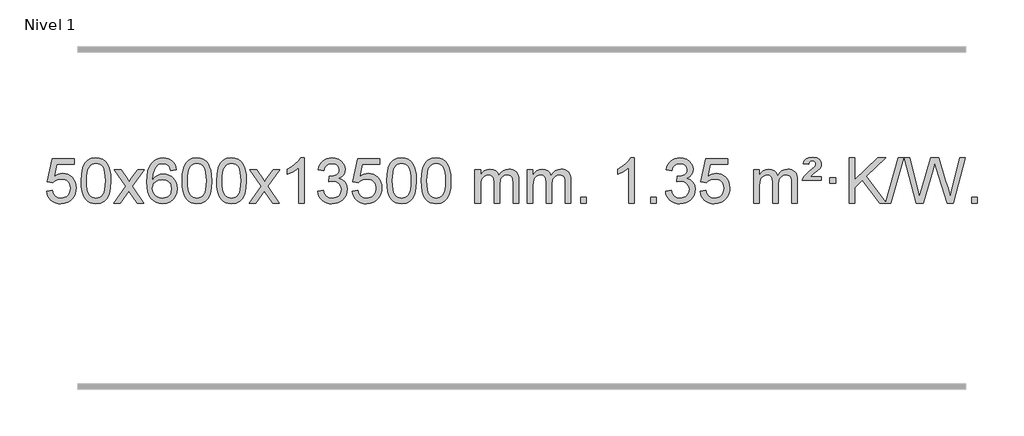
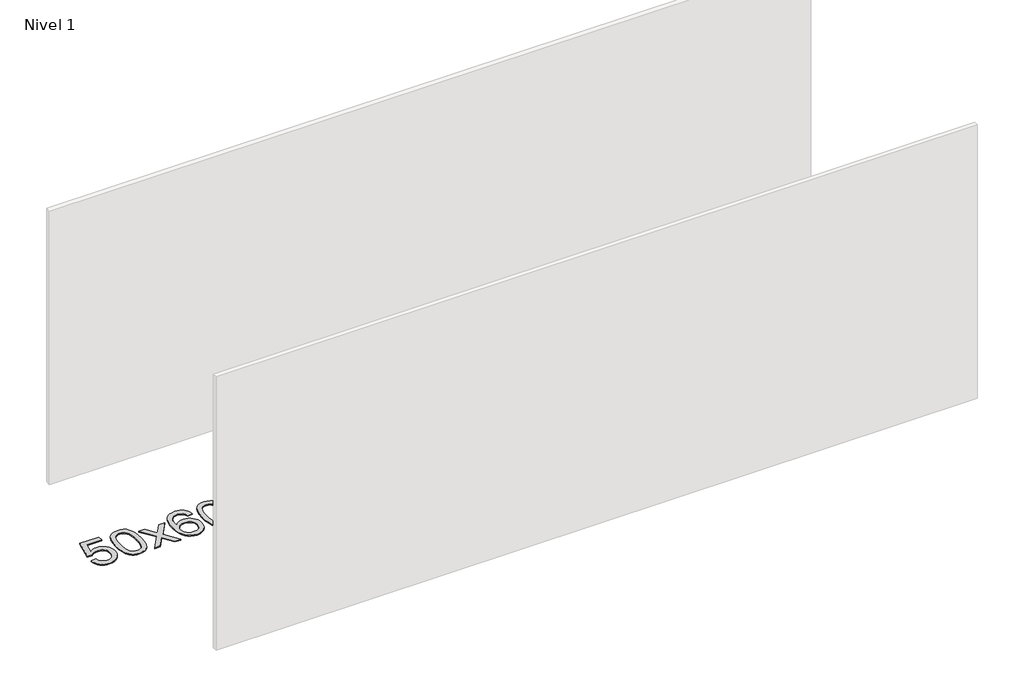
# One storey, part 21 of 21: 1 proxy.
"""IFC4 building model written with IfcOpenShell, lengths in millimetres."""

from ifc_helpers import new_model, si_unit, origin, origin_with_axes, place, context, project, spatial, polyline, outline, extrude, element, save

model = new_model("IFC4")

# Units and contexts
model_context = context("Model", 3, world=origin())
ifc_project = project(units=[si_unit("LENGTHUNIT", "METRE", prefix="MILLI")], contexts=[model_context])

# Site, building, storey
site = spatial("IfcSite", under=ifc_project)
building = spatial("IfcBuilding", under=site)
storey = spatial("IfcBuildingStorey", under=building, Name="Nivel 1", Elevation=0.0)

# Proxy
placement = place(None, origin())
element("IfcBuildingElementProxy", 1, Name="Texto de modelo 1", ObjectType="Texto de modelo 1", at=placement, inside=storey, context=model_context, shape_type="SweptSolid", body=[
    extrude(outline(polyline([(-509.9934354, 2715.1553765), (-459.7652803, 2721.4338959), (-450.543705, 2691.2798351), (-434.454999, 2669.6851619), (-411.5727389, 2656.6989275), (-381.9705011, 2652.3701827), (-362.8406373, 2653.8754332), (-345.9671165, 2658.3911847), (-331.3499385, 2665.9174372), (-318.9891035, 2676.4541906), (-309.1605228, 2689.480279), (-302.1401081, 2704.4745359), (-296.5237763, 2740.3675559), (-301.7844888, 2774.1636486), (-308.3603795, 2788.0818507), (-317.5666264, 2800.0134901), (-329.4338865, 2809.5845533), (-343.9928164, 2816.4210271), (-381.1856861, 2821.8902061), (-405.5517369, 2819.7074396), (-425.2824746, 2813.1591401), (-441.0400868, 2803.1282243), (-453.4867609, 2790.4976092), (-503.714916, 2796.7761285), (-459.7652803, 3003.9672682), (-265.1311794, 3003.9672682), (-265.1311794, 2953.7391131), (-419.151108, 2953.7391131), (-440.6354166, 2843.080209), (-422.9096358, 2855.7844006), (-404.7546593, 2864.8588231), (-386.1704872, 2870.3034766), (-367.1571194, 2872.1183612), (-342.6960324, 2869.8681496), (-320.2276395, 2863.117515), (-299.7519408, 2851.8664573), (-281.2689362, 2836.1149766), (-265.9681109, 2816.8256973), (-255.03895, 2794.961244), (-248.4814534, 2770.5216168), (-246.2956212, 2743.5068156), (-248.2637899, 2717.4852958), (-254.1682959, 2693.2786606), (-264.0091393, 2670.8869098), (-277.78632, 2650.3100435), (-298.6574919, 2629.2365366), (-323.01128, 2614.1840316), (-350.8476843, 2605.1525286), (-382.1667048, 2602.1420276), (-408.087057, 2604.0764738), (-431.4996803, 2609.8798123), (-452.4045747, 2619.552043), (-470.8017402, 2633.0931662), (-486.1086968, 2649.8287312), (-497.7429649, 2669.084288), (-505.7045445, 2690.8598364), (-509.9934354, 2715.1553765)])), origin_with_axes(), (0.0, 0.0, 1.0), 10.0),
    extrude(outline(polyline([(-202.3459855, 2806.0958057), (-198.6549029, 2870.4138412), (-187.5816548, 2921.7088541), (-169.236606, 2960.7656593), (-157.378543, 2975.9990395), (-143.730121, 2988.3690716), (-128.2453547, 2997.9401349), (-110.8782588, 3004.7766086), (-70.4970785, 3010.2457876), (-39.5459399, 3007.008426), (-11.832163, 2997.2963414), (11.3444027, 2981.4896783), (28.6839074, 2959.9685816), (41.7805065, 2932.9169922), (52.2283551, 2900.5188512), (59.0709602, 2859.3773814), (61.3518286, 2806.0958057), (57.6975341, 2742.1456523), (46.7346507, 2690.9732667), (28.4999664, 2651.8796734), (16.6694946, 2636.6003078), (3.0302696, 2624.1658964), (-12.4728908, 2614.5304538), (-29.8951689, 2607.6479948), (-70.4970785, 2602.1420276), (-98.1618045, 2604.5332606), (-122.6872709, 2611.7069595), (-144.0734775, 2623.6631243), (-162.3204245, 2640.4017551), (-179.8316074, 2670.6600492), (-192.3395953, 2708.3618224), (-199.844388, 2753.5070745), (-202.3459855, 2806.0958057)]), holes=[polyline([(-152.1178305, 2806.1939076), (-150.6463025, 2762.5293805), (-146.2317185, 2727.1851178), (-138.8740786, 2700.1611196), (-128.5733828, 2681.4573858), (-116.1144459, 2668.7317344), (-102.2820829, 2659.6419835), (-87.0762937, 2654.1881329), (-70.4970785, 2652.3701827), (-53.9178632, 2654.1942643), (-38.7120741, 2659.6665089), (-24.8797111, 2668.7869167), (-12.4207742, 2681.5554876), (-2.1200783, 2700.2898783), (5.2375616, 2727.3077451), (9.6521455, 2762.6090882), (11.1236735, 2806.1939076), (9.7011965, 2848.7026722), (5.4337653, 2883.4246011), (-1.6786199, 2910.3596945), (-11.6359592, 2929.5079524), (-23.8864297, 2942.8559375), (-37.8782082, 2952.3902125), (-53.6112949, 2958.1107775), (-71.0856897, 2960.0176325), (-87.5790658, 2958.3376381), (-102.5273375, 2953.2976548), (-115.9305049, 2944.8976825), (-127.7885679, 2933.1377214), (-138.4326203, 2912.291075), (-146.0355148, 2884.1848906), (-150.5972516, 2848.8191681), (-152.1178305, 2806.1939076)])]), origin_with_axes(), (0.0, 0.0, 1.0), 10.0),
    extrude(outline(polyline([(86.4659061, 2608.420547), (193.7893469, 2756.7505675), (92.7444255, 2903.5109581), (153.1751746, 2903.5109581), (201.9318017, 2832.877615), (224.6914345, 2799.5229808), (244.4099094, 2826.7952993), (299.9355652, 2903.5109581), (360.3663143, 2903.5109581), (254.2200959, 2756.7505675), (356.4422397, 2608.420547), (296.0114906, 2608.420547), (234.501621, 2697.5951426), (223.2199065, 2713.8800523), (146.8966552, 2608.420547), (86.4659061, 2608.420547)])), origin_with_axes(), (0.0, 0.0, 1.0), 10.0),
    extrude(outline(polyline([(645.2541313, 2903.5109581), (595.0259763, 2897.2324387), (586.9325724, 2922.125787), (575.9942144, 2939.1219352), (553.2100561, 2954.7937082), (525.6679574, 2960.0176325), (502.3197135, 2956.9764747), (480.3448956, 2947.8530012), (461.4725493, 2928.6372983), (446.0582937, 2902.1865829), (435.6472332, 2864.772984), (431.7844723, 2812.6686307), (451.9321429, 2836.1762902), (476.0774645, 2852.7432427), (502.8715365, 2862.565692), (530.9654582, 2865.8398418), (555.0985171, 2863.601893), (577.3676405, 2856.8880466), (597.7728285, 2845.6983025), (616.3140811, 2830.0326609), (631.7222053, 2810.8230894), (642.7280083, 2789.0015557), (649.3314901, 2764.5680599), (651.5326507, 2737.5226018), (647.3878469, 2701.5560055), (634.9534355, 2668.213634), (615.259486, 2639.9357713), (589.3360681, 2619.1627013), (558.3604041, 2606.397196), (523.5097164, 2602.1420276), (493.5671877, 2604.9624563), (466.5247954, 2613.4237421), (442.3825394, 2627.5258853), (421.1404199, 2647.2688857), (403.822375, 2673.4866092), (391.4523429, 2707.0129217), (384.0303236, 2747.8478232), (381.5563172, 2795.9913136), (384.3031694, 2849.9657337), (392.5437261, 2896.0306908), (406.2779873, 2934.1861851), (425.5059529, 2964.4322165), (446.3464679, 2984.4756538), (470.5101836, 2998.7923948), (497.9971, 3007.3824394), (528.8072171, 3010.2457876), (551.9408633, 3008.4738227), (572.8794802, 3003.1579278), (591.6230678, 2994.2981031), (608.1716262, 2981.8943485), (622.0775656, 2966.3635969), (632.8932963, 2948.1227814), (640.6188182, 2927.1719017), (645.2541313, 2903.5109581)]), holes=[polyline([(431.7844723, 2738.3074168), (434.69074, 2716.0505561), (443.4095433, 2694.7992395), (456.9476007, 2676.527767), (474.3116309, 2663.2104388), (495.2686419, 2655.0802467), (519.5856418, 2652.3701827), (552.7318096, 2657.9865145), (566.646946, 2665.0069292), (578.7901175, 2674.8355099), (588.640158, 2687.0737176), (595.6759011, 2701.3230135), (601.3044957, 2735.8548701), (595.7494775, 2769.0010379), (588.8057049, 2782.6218688), (579.0844231, 2794.274531), (566.9044634, 2803.6095366), (552.5846568, 2810.2773978), (517.5255026, 2815.6116867), (484.4283858, 2810.2773978), (456.751397, 2794.274531), (445.8283674, 2782.7751529), (438.0262035, 2769.6141746), (433.3449051, 2754.7915958), (431.7844723, 2738.3074168)])]), origin_with_axes(), (0.0, 0.0, 1.0), 10.0),
    extrude(outline(polyline([(695.4822864, 2806.0958057), (699.1733691, 2870.4138412), (710.2466172, 2921.7088541), (728.591666, 2960.7656593), (740.449729, 2975.9990395), (754.098151, 2988.3690716), (769.5829173, 2997.9401349), (786.9500131, 3004.7766086), (827.3311935, 3010.2457876), (858.282332, 3007.008426), (885.996109, 2997.2963414), (909.1726747, 2981.4896783), (926.5121794, 2959.9685816), (939.6087784, 2932.9169922), (950.0566271, 2900.5188512), (956.8992322, 2859.3773814), (959.1801006, 2806.0958057), (955.5258061, 2742.1456523), (944.5629226, 2690.9732667), (926.3282384, 2651.8796734), (914.4977666, 2636.6003078), (900.8585416, 2624.1658964), (885.3553812, 2614.5304538), (867.933103, 2607.6479948), (827.3311935, 2602.1420276), (799.6664674, 2604.5332606), (775.1410011, 2611.7069595), (753.7547945, 2623.6631243), (735.5078475, 2640.4017551), (717.9966645, 2670.6600492), (705.4886767, 2708.3618224), (697.983884, 2753.5070745), (695.4822864, 2806.0958057)]), holes=[polyline([(745.7104415, 2806.1939076), (747.1819695, 2762.5293805), (751.5965534, 2727.1851178), (758.9541933, 2700.1611196), (769.2548892, 2681.4573858), (781.7138261, 2668.7317344), (795.5461891, 2659.6419835), (810.7519782, 2654.1881329), (827.3311935, 2652.3701827), (843.9104087, 2654.1942643), (859.1161979, 2659.6665089), (872.9485609, 2668.7869167), (885.4074978, 2681.5554876), (895.7081937, 2700.2898783), (903.0658336, 2727.3077451), (907.4804175, 2762.6090882), (908.9519455, 2806.1939076), (907.5294684, 2848.7026722), (903.2620373, 2883.4246011), (896.1496521, 2910.3596945), (886.1923127, 2929.5079524), (873.9418423, 2942.8559375), (859.9500637, 2952.3902125), (844.2169771, 2958.1107775), (826.7425823, 2960.0176325), (810.2492062, 2958.3376381), (795.3009344, 2953.2976548), (781.8977671, 2944.8976825), (770.0397041, 2933.1377214), (759.3956517, 2912.291075), (751.7927571, 2884.1848906), (747.2310204, 2848.8191681), (745.7104415, 2806.1939076)])]), origin_with_axes(), (0.0, 0.0, 1.0), 10.0),
    extrude(outline(polyline([(1003.1297362, 2806.0958057), (1006.8208189, 2870.4138412), (1017.894067, 2921.7088541), (1036.2391158, 2960.7656593), (1048.0971788, 2975.9990395), (1061.7456008, 2988.3690716), (1077.2303671, 2997.9401349), (1094.597463, 3004.7766086), (1134.9786433, 3010.2457876), (1165.9297818, 3007.008426), (1193.6435588, 2997.2963414), (1216.8201245, 2981.4896783), (1234.1596292, 2959.9685816), (1247.2562282, 2932.9169922), (1257.7040769, 2900.5188512), (1264.546682, 2859.3773814), (1266.8275504, 2806.0958057), (1263.1732559, 2742.1456523), (1252.2103725, 2690.9732667), (1233.9756882, 2651.8796734), (1222.1452164, 2636.6003078), (1208.5059914, 2624.1658964), (1193.002831, 2614.5304538), (1175.5805529, 2607.6479948), (1134.9786433, 2602.1420276), (1107.3139173, 2604.5332606), (1082.7884509, 2611.7069595), (1061.4022443, 2623.6631243), (1043.1552973, 2640.4017551), (1025.6441144, 2670.6600492), (1013.1361265, 2708.3618224), (1005.6313338, 2753.5070745), (1003.1297362, 2806.0958057)]), holes=[polyline([(1053.3578913, 2806.1939076), (1054.8294193, 2762.5293805), (1059.2440032, 2727.1851178), (1066.6016432, 2700.1611196), (1076.902339, 2681.4573858), (1089.3612759, 2668.7317344), (1103.1936389, 2659.6419835), (1118.3994281, 2654.1881329), (1134.9786433, 2652.3701827), (1151.5578586, 2654.1942643), (1166.7636477, 2659.6665089), (1180.5960107, 2668.7869167), (1193.0549476, 2681.5554876), (1203.3556435, 2700.2898783), (1210.7132834, 2727.3077451), (1215.1278673, 2762.6090882), (1216.5993953, 2806.1939076), (1215.1769183, 2848.7026722), (1210.9094871, 2883.4246011), (1203.7971019, 2910.3596945), (1193.8397625, 2929.5079524), (1181.5892921, 2942.8559375), (1167.5975136, 2952.3902125), (1151.8644269, 2958.1107775), (1134.3900321, 2960.0176325), (1117.896656, 2958.3376381), (1102.9483843, 2953.2976548), (1089.5452169, 2944.8976825), (1077.6871539, 2933.1377214), (1067.0431015, 2912.291075), (1059.440207, 2884.1848906), (1054.8784702, 2848.8191681), (1053.3578913, 2806.1939076)])]), origin_with_axes(), (0.0, 0.0, 1.0), 10.0),
    extrude(outline(polyline([(1291.9416279, 2608.420547), (1399.2650687, 2756.7505675), (1298.2201473, 2903.5109581), (1358.6508964, 2903.5109581), (1407.4075235, 2832.877615), (1430.1671563, 2799.5229808), (1449.8856312, 2826.7952993), (1505.411287, 2903.5109581), (1565.8420361, 2903.5109581), (1459.6958177, 2756.7505675), (1561.9179615, 2608.420547), (1501.4872124, 2608.420547), (1439.9773428, 2697.5951426), (1428.6956283, 2713.8800523), (1352.372377, 2608.420547), (1291.9416279, 2608.420547)])), origin_with_axes(), (0.0, 0.0, 1.0), 10.0),
    extrude(outline(polyline([(1781.6661399, 2608.420547), (1731.4379848, 2608.420547), (1731.4379848, 2921.5617013), (1710.4687111, 2904.6023413), (1683.8585801, 2887.6675068), (1630.9816747, 2862.3081746), (1630.9816747, 2909.7894775), (1670.4308873, 2931.2492605), (1704.6071247, 2956.780271), (1731.5483494, 2983.9299622), (1749.2925243, 3010.2457876), (1781.6661399, 3010.2457876), (1781.6661399, 2608.420547)])), origin_with_axes(), (0.0, 0.0, 1.0), 10.0),
    extrude(outline(polyline([(1900.9580082, 2715.1553765), (1951.1861633, 2721.4338959), (1962.4310896, 2689.8696207), (1978.8999403, 2668.5569905), (2001.4020556, 2656.4168846), (2030.7467761, 2652.3701827), (2065.1805309, 2657.9374636), (2079.4543523, 2664.8965646), (2091.7661364, 2674.6393061), (2108.7622846, 2699.5571799), (2114.4276673, 2729.7725545), (2108.8113355, 2758.4550874), (2091.9623401, 2781.7174922), (2066.4558551, 2797.1317478), (2034.8670545, 2802.269833), (1999.6484848, 2796.7761285), (2005.2402911, 2847.0042836), (2013.2846441, 2846.4156724), (2043.3773913, 2850.020916), (2070.2818279, 2860.8366466), (2081.3550759, 2869.0158897), (2089.2645388, 2879.1326445), (2094.0102165, 2891.1869112), (2095.5921091, 2905.1786898), (2091.0058469, 2926.8714648), (2077.2470603, 2944.4684869), (2056.2532611, 2956.1303461), (2029.9619612, 2960.0176325), (2003.6216103, 2956.0935579), (1982.0882509, 2944.3213341), (1966.367427, 2924.700961), (1957.4646827, 2897.2324387), (1907.2365276, 2903.5109581), (1913.1900846, 2927.4907328), (1922.0253838, 2948.6132907), (1933.7424253, 2966.8786317), (1948.3412092, 2982.286756), (1965.3618828, 2994.5188323), (1984.3445938, 3003.2560297), (2005.289342, 3008.4983481), (2028.1961276, 3010.2457876), (2059.7726655, 3006.7999596), (2088.7740295, 2996.4624755), (2113.2259194, 2980.1530404), (2131.1540353, 2958.7913592), (2142.153707, 2934.1800537), (2145.8202642, 2908.1217457), (2142.337648, 2883.8415341), (2131.8897993, 2861.8176653), (2114.623871, 2843.0556835), (2090.6870159, 2828.5611329), (2122.1286637, 2815.8569414), (2145.4278567, 2794.22548), (2159.848831, 2764.8439714), (2164.6558224, 2728.8896377), (2162.2523267, 2703.4076782), (2155.0418395, 2679.9368069), (2143.024361, 2658.4770238), (2126.1998911, 2639.028329), (2105.7027326, 2622.8905722), (2082.6671884, 2611.363603), (2057.0932583, 2604.4474215), (2028.9809425, 2602.1420276), (2003.5725594, 2604.1101963), (1980.4205192, 2610.0147023), (1959.5248218, 2619.8555457), (1940.8854674, 2633.6327264), (1925.256614, 2650.5369041), (1913.3924196, 2669.7587383), (1905.2928844, 2691.2982292), (1900.9580082, 2715.1553765)])), origin_with_axes(), (0.0, 0.0, 1.0), 10.0),
    extrude(outline(polyline([(2208.605458, 2715.1553765), (2258.8336131, 2721.4338959), (2268.0551885, 2691.2798351), (2284.1438944, 2669.6851619), (2307.0261545, 2656.6989275), (2336.6283924, 2652.3701827), (2355.7582561, 2653.8754332), (2372.631777, 2658.3911847), (2387.2489549, 2665.9174372), (2399.6097899, 2676.4541906), (2409.4383706, 2689.480279), (2416.4587853, 2704.4745359), (2422.0751171, 2740.3675559), (2416.8144046, 2774.1636486), (2410.2385139, 2788.0818507), (2401.032267, 2800.0134901), (2389.165007, 2809.5845533), (2374.606077, 2816.4210271), (2337.4132073, 2821.8902061), (2313.0471565, 2819.7074396), (2293.3164188, 2813.1591401), (2277.5588067, 2803.1282243), (2265.1121325, 2790.4976092), (2214.8839774, 2796.7761285), (2258.8336131, 3003.9672682), (2453.467714, 3003.9672682), (2453.467714, 2953.7391131), (2299.4477854, 2953.7391131), (2277.9634769, 2843.080209), (2295.6892577, 2855.7844006), (2313.8442341, 2864.8588231), (2332.4284063, 2870.3034766), (2351.441774, 2872.1183612), (2375.902861, 2869.8681496), (2398.3712539, 2863.117515), (2418.8469526, 2851.8664573), (2437.3299572, 2836.1149766), (2452.6307825, 2816.8256973), (2463.5599434, 2794.961244), (2470.11744, 2770.5216168), (2472.3032722, 2743.5068156), (2470.3351035, 2717.4852958), (2464.4305975, 2693.2786606), (2454.5897541, 2670.8869098), (2440.8125734, 2650.3100435), (2419.9414015, 2629.2365366), (2395.5876135, 2614.1840316), (2367.7512092, 2605.1525286), (2336.4321886, 2602.1420276), (2310.5118364, 2604.0764738), (2287.0992131, 2609.8798123), (2266.1943187, 2619.552043), (2247.7971533, 2633.0931662), (2232.4901966, 2649.8287312), (2220.8559285, 2669.084288), (2212.894349, 2690.8598364), (2208.605458, 2715.1553765)])), origin_with_axes(), (0.0, 0.0, 1.0), 10.0),
    extrude(outline(polyline([(2516.2529079, 2806.0958057), (2519.9439906, 2870.4138412), (2531.0172386, 2921.7088541), (2549.3622874, 2960.7656593), (2561.2203504, 2975.9990395), (2574.8687724, 2988.3690716), (2590.3535388, 2997.9401349), (2607.7206346, 3004.7766086), (2648.1018149, 3010.2457876), (2679.0529535, 3007.008426), (2706.7667304, 2997.2963414), (2729.9432961, 2981.4896783), (2747.2828008, 2959.9685816), (2760.3793999, 2932.9169922), (2770.8272485, 2900.5188512), (2777.6698537, 2859.3773814), (2779.950722, 2806.0958057), (2776.2964275, 2742.1456523), (2765.3335441, 2690.9732667), (2747.0988599, 2651.8796734), (2735.268388, 2636.6003078), (2721.6291631, 2624.1658964), (2706.1260026, 2614.5304538), (2688.7037245, 2607.6479948), (2648.1018149, 2602.1420276), (2620.4370889, 2604.5332606), (2595.9116226, 2611.7069595), (2574.5254159, 2623.6631243), (2556.278469, 2640.4017551), (2538.767286, 2670.6600492), (2526.2592981, 2708.3618224), (2518.7545054, 2753.5070745), (2516.2529079, 2806.0958057)]), holes=[polyline([(2566.481063, 2806.1939076), (2567.9525909, 2762.5293805), (2572.3671749, 2727.1851178), (2579.7248148, 2700.1611196), (2590.0255106, 2681.4573858), (2602.4844475, 2668.7317344), (2616.3168106, 2659.6419835), (2631.5225997, 2654.1881329), (2648.1018149, 2652.3701827), (2664.6810302, 2654.1942643), (2679.8868193, 2659.6665089), (2693.7191824, 2668.7869167), (2706.1781193, 2681.5554876), (2716.4788151, 2700.2898783), (2723.836455, 2727.3077451), (2728.251039, 2762.6090882), (2729.7225669, 2806.1939076), (2728.3000899, 2848.7026722), (2724.0326588, 2883.4246011), (2716.9202735, 2910.3596945), (2706.9629342, 2929.5079524), (2694.7124637, 2942.8559375), (2680.7206852, 2952.3902125), (2664.9875985, 2958.1107775), (2647.5132038, 2960.0176325), (2631.0198276, 2958.3376381), (2616.0715559, 2953.2976548), (2602.6683885, 2944.8976825), (2590.8103256, 2933.1377214), (2580.1662732, 2912.291075), (2572.5633786, 2884.1848906), (2568.0016419, 2848.8191681), (2566.481063, 2806.1939076)])]), origin_with_axes(), (0.0, 0.0, 1.0), 10.0),
    extrude(outline(polyline([(2823.9003577, 2806.0958057), (2827.5914404, 2870.4138412), (2838.6646885, 2921.7088541), (2857.0097373, 2960.7656593), (2868.8678003, 2975.9990395), (2882.5162223, 2988.3690716), (2898.0009886, 2997.9401349), (2915.3680844, 3004.7766086), (2955.7492648, 3010.2457876), (2986.7004033, 3007.008426), (3014.4141803, 2997.2963414), (3037.590746, 2981.4896783), (3054.9302507, 2959.9685816), (3068.0268497, 2932.9169922), (3078.4746984, 2900.5188512), (3085.3173035, 2859.3773814), (3087.5981719, 2806.0958057), (3083.9438774, 2742.1456523), (3072.9809939, 2690.9732667), (3054.7463097, 2651.8796734), (3042.9158379, 2636.6003078), (3029.2766129, 2624.1658964), (3013.7734525, 2614.5304538), (2996.3511743, 2607.6479948), (2955.7492648, 2602.1420276), (2928.0845387, 2604.5332606), (2903.5590724, 2611.7069595), (2882.1728657, 2623.6631243), (2863.9259188, 2640.4017551), (2846.4147358, 2670.6600492), (2833.906748, 2708.3618224), (2826.4019553, 2753.5070745), (2823.9003577, 2806.0958057)]), holes=[polyline([(2874.1285128, 2806.1939076), (2875.6000408, 2762.5293805), (2880.0146247, 2727.1851178), (2887.3722646, 2700.1611196), (2897.6729605, 2681.4573858), (2910.1318974, 2668.7317344), (2923.9642604, 2659.6419835), (2939.1700495, 2654.1881329), (2955.7492648, 2652.3701827), (2972.32848, 2654.1942643), (2987.5342692, 2659.6665089), (3001.3666322, 2668.7869167), (3013.8255691, 2681.5554876), (3024.126265, 2700.2898783), (3031.4839049, 2727.3077451), (3035.8984888, 2762.6090882), (3037.3700168, 2806.1939076), (3035.9475397, 2848.7026722), (3031.6801086, 2883.4246011), (3024.5677233, 2910.3596945), (3014.610384, 2929.5079524), (3002.3599136, 2942.8559375), (2988.368135, 2952.3902125), (2972.6350484, 2958.1107775), (2955.1606536, 2960.0176325), (2938.6672775, 2958.3376381), (2923.7190057, 2953.2976548), (2910.3158384, 2944.8976825), (2898.4577754, 2933.1377214), (2887.813723, 2912.291075), (2880.2108284, 2884.1848906), (2875.6490917, 2848.8191681), (2874.1285128, 2806.1939076)])]), origin_with_axes(), (0.0, 0.0, 1.0), 10.0),
    extrude(outline(polyline([(3301.0678309, 2608.420547), (3301.0678309, 2903.5109581), (3351.295986, 2903.5109581), (3351.295986, 2854.9505347), (3366.4036733, 2877.2564463), (3385.8278426, 2894.7308411), (3408.9063064, 2906.0248184), (3434.9768772, 2909.7894775), (3462.9113833, 2905.951242), (3485.3031341, 2894.4365355), (3502.0295022, 2876.0056476), (3512.9678601, 2851.4188676), (3531.2761208, 2876.9560094), (3552.1595554, 2895.196825), (3575.6181639, 2906.1413143), (3601.6519464, 2909.7894775), (3621.7597632, 2908.2719642), (3639.4089019, 2903.7194245), (3654.5993626, 2896.1318584), (3667.3311453, 2885.5092658), (3677.3957836, 2871.7290194), (3684.5848109, 2854.6684918), (3688.8982273, 2834.3276832), (3690.3360328, 2810.7065934), (3690.3360328, 2608.420547), (3640.1078777, 2608.420547), (3640.1078777, 2789.124183), (3638.942918, 2814.1769469), (3635.4480391, 2831.0627305), (3628.8997396, 2842.6264879), (3618.5745182, 2851.7131732), (3605.2939782, 2857.5992851), (3589.8797226, 2859.5613224), (3562.6687177, 2854.5336018), (3540.4854334, 2839.45044), (3531.8800604, 2827.8805512), (3525.7333654, 2813.2817674), (3520.8160094, 2774.9975144), (3520.8160094, 2608.420547), (3470.5878543, 2608.420547), (3470.5878543, 2794.7159894), (3467.6815865, 2823.1164794), (3458.9627833, 2843.3745146), (3443.6221041, 2855.5146204), (3420.8502086, 2859.5613224), (3401.4996156, 2856.8635211), (3383.6696016, 2848.7701172), (3368.9543218, 2835.4773144), (3358.9479315, 2817.1813165), (3353.2089724, 2791.7974589), (3351.295986, 2757.2410768), (3351.295986, 2608.420547), (3301.0678309, 2608.420547)])), origin_with_axes(), (0.0, 0.0, 1.0), 10.0),
    extrude(outline(polyline([(3765.6782654, 2608.420547), (3765.6782654, 2903.5109581), (3815.9064204, 2903.5109581), (3815.9064204, 2854.9505347), (3831.0141077, 2877.2564463), (3850.4382771, 2894.7308411), (3873.5167409, 2906.0248184), (3899.5873116, 2909.7894775), (3927.5218178, 2905.951242), (3949.9135685, 2894.4365355), (3966.6399366, 2876.0056476), (3977.5782946, 2851.4188676), (3995.8865552, 2876.9560094), (4016.7699898, 2895.196825), (4040.2285984, 2906.1413143), (4066.2623809, 2909.7894775), (4086.3701976, 2908.2719642), (4104.0193363, 2903.7194245), (4119.209797, 2896.1318584), (4131.9415798, 2885.5092658), (4142.006218, 2871.7290194), (4149.1952453, 2854.6684918), (4153.5086617, 2834.3276832), (4154.9464672, 2810.7065934), (4154.9464672, 2608.420547), (4104.7183121, 2608.420547), (4104.7183121, 2789.124183), (4103.5533525, 2814.1769469), (4100.0584735, 2831.0627305), (4093.510174, 2842.6264879), (4083.1849527, 2851.7131732), (4069.9044126, 2857.5992851), (4054.490157, 2859.5613224), (4027.2791521, 2854.5336018), (4005.0958678, 2839.45044), (3996.4904948, 2827.8805512), (3990.3437998, 2813.2817674), (3985.4264438, 2774.9975144), (3985.4264438, 2608.420547), (3935.1982887, 2608.420547), (3935.1982887, 2794.7159894), (3932.292021, 2823.1164794), (3923.5732177, 2843.3745146), (3908.2325385, 2855.5146204), (3885.460643, 2859.5613224), (3866.11005, 2856.8635211), (3848.280036, 2848.7701172), (3833.5647562, 2835.4773144), (3823.5583659, 2817.1813165), (3817.8194068, 2791.7974589), (3815.9064204, 2757.2410768), (3815.9064204, 2608.420547), (3765.6782654, 2608.420547)])), origin_with_axes(), (0.0, 0.0, 1.0), 10.0),
    extrude(outline(polyline([(4242.8457386, 2608.420547), (4242.8457386, 2658.6487021), (4293.0738936, 2658.6487021), (4293.0738936, 2608.420547), (4242.8457386, 2608.420547)])), origin_with_axes(), (0.0, 0.0, 1.0), 10.0),
    extrude(outline(polyline([(4720.0132118, 2608.420547), (4669.7850567, 2608.420547), (4669.7850567, 2921.5617013), (4648.815783, 2904.6023413), (4622.205652, 2887.6675068), (4569.3287466, 2862.3081746), (4569.3287466, 2909.7894775), (4608.7779592, 2931.2492605), (4642.9541965, 2956.780271), (4669.8954213, 2983.9299622), (4687.6395962, 3010.2457876), (4720.0132118, 3010.2457876), (4720.0132118, 2608.420547)])), origin_with_axes(), (0.0, 0.0, 1.0), 10.0),
    extrude(outline(polyline([(4864.4191576, 2608.420547), (4864.4191576, 2658.6487021), (4914.6473127, 2658.6487021), (4914.6473127, 2608.420547), (4864.4191576, 2608.420547)])), origin_with_axes(), (0.0, 0.0, 1.0), 10.0),
    extrude(outline(polyline([(4996.2680647, 2715.1553765), (5046.4962198, 2721.4338959), (5057.7411461, 2689.8696207), (5074.2099967, 2668.5569905), (5096.7121121, 2656.4168846), (5126.0568326, 2652.3701827), (5160.4905873, 2657.9374636), (5174.7644088, 2664.8965646), (5187.0761929, 2674.6393061), (5204.072341, 2699.5571799), (5209.7377238, 2729.7725545), (5204.121392, 2758.4550874), (5187.2723966, 2781.7174922), (5161.7659116, 2797.1317478), (5130.1771109, 2802.269833), (5094.9585413, 2796.7761285), (5100.5503476, 2847.0042836), (5108.5947006, 2846.4156724), (5138.6874478, 2850.020916), (5165.5918843, 2860.8366466), (5176.6651324, 2869.0158897), (5184.5745953, 2879.1326445), (5189.320273, 2891.1869112), (5190.9021656, 2905.1786898), (5186.3159034, 2926.8714648), (5172.5571168, 2944.4684869), (5151.5633176, 2956.1303461), (5125.2720177, 2960.0176325), (5098.9316668, 2956.0935579), (5077.3983074, 2944.3213341), (5061.6774834, 2924.700961), (5052.7747392, 2897.2324387), (5002.5465841, 2903.5109581), (5008.500141, 2927.4907328), (5017.3354403, 2948.6132907), (5029.0524818, 2966.8786317), (5043.6512657, 2982.286756), (5060.6719393, 2994.5188323), (5079.6546503, 3003.2560297), (5100.5993985, 3008.4983481), (5123.5061841, 3010.2457876), (5155.082722, 3006.7999596), (5184.084086, 2996.4624755), (5208.5359759, 2980.1530404), (5226.4640918, 2958.7913592), (5237.4637635, 2934.1800537), (5241.1303207, 2908.1217457), (5237.6477045, 2883.8415341), (5227.1998558, 2861.8176653), (5209.9339275, 2843.0556835), (5185.9970723, 2828.5611329), (5217.4387202, 2815.8569414), (5240.7379132, 2794.22548), (5255.1588874, 2764.8439714), (5259.9658788, 2728.8896377), (5257.5623831, 2703.4076782), (5250.351896, 2679.9368069), (5238.3344175, 2658.4770238), (5221.5099476, 2639.028329), (5201.0127891, 2622.8905722), (5177.9772448, 2611.363603), (5152.4033148, 2604.4474215), (5124.290999, 2602.1420276), (5098.8826159, 2604.1101963), (5075.7305757, 2610.0147023), (5054.8348783, 2619.8555457), (5036.1955239, 2633.6327264), (5020.5666705, 2650.5369041), (5008.7024761, 2669.7587383), (5000.6029409, 2691.2982292), (4996.2680647, 2715.1553765)])), origin_with_axes(), (0.0, 0.0, 1.0), 10.0),
    extrude(outline(polyline([(5303.9155145, 2715.1553765), (5354.1436696, 2721.4338959), (5363.3652449, 2691.2798351), (5379.4539509, 2669.6851619), (5402.336211, 2656.6989275), (5431.9384489, 2652.3701827), (5451.0683126, 2653.8754332), (5467.9418334, 2658.3911847), (5482.5590114, 2665.9174372), (5494.9198464, 2676.4541906), (5504.7484271, 2689.480279), (5511.7688418, 2704.4745359), (5517.3851736, 2740.3675559), (5512.1244611, 2774.1636486), (5505.5485704, 2788.0818507), (5496.3423235, 2800.0134901), (5484.4750634, 2809.5845533), (5469.9161335, 2816.4210271), (5432.7232638, 2821.8902061), (5408.357213, 2819.7074396), (5388.6264753, 2813.1591401), (5372.8688632, 2803.1282243), (5360.422189, 2790.4976092), (5310.1940339, 2796.7761285), (5354.1436696, 3003.9672682), (5548.7777705, 3003.9672682), (5548.7777705, 2953.7391131), (5394.7578419, 2953.7391131), (5373.2735334, 2843.080209), (5390.9993142, 2855.7844006), (5409.1542906, 2864.8588231), (5427.7384627, 2870.3034766), (5446.7518305, 2872.1183612), (5471.2129175, 2869.8681496), (5493.6813104, 2863.117515), (5514.1570091, 2851.8664573), (5532.6400137, 2836.1149766), (5547.940839, 2816.8256973), (5558.8699999, 2794.961244), (5565.4274965, 2770.5216168), (5567.6133287, 2743.5068156), (5565.64516, 2717.4852958), (5559.740654, 2693.2786606), (5549.8998106, 2670.8869098), (5536.1226299, 2650.3100435), (5515.251458, 2629.2365366), (5490.8976699, 2614.1840316), (5463.0612656, 2605.1525286), (5431.7422451, 2602.1420276), (5405.8218929, 2604.0764738), (5382.4092696, 2609.8798123), (5361.5043752, 2619.552043), (5343.1072097, 2633.0931662), (5327.8002531, 2649.8287312), (5316.165985, 2669.084288), (5308.2044055, 2690.8598364), (5303.9155145, 2715.1553765)])), origin_with_axes(), (0.0, 0.0, 1.0), 10.0),
    extrude(outline(polyline([(5781.0829877, 2608.420547), (5781.0829877, 2903.5109581), (5831.3111428, 2903.5109581), (5831.3111428, 2854.9505347), (5846.4188301, 2877.2564463), (5865.8429994, 2894.7308411), (5888.9214633, 2906.0248184), (5914.992034, 2909.7894775), (5942.9265402, 2905.951242), (5965.3182909, 2894.4365355), (5982.044659, 2876.0056476), (5992.983017, 2851.4188676), (6011.2912776, 2876.9560094), (6032.1747122, 2895.196825), (6055.6333207, 2906.1413143), (6081.6671033, 2909.7894775), (6101.77492, 2908.2719642), (6119.4240587, 2903.7194245), (6134.6145194, 2896.1318584), (6147.3463021, 2885.5092658), (6157.4109404, 2871.7290194), (6164.5999677, 2854.6684918), (6168.9133841, 2834.3276832), (6170.3511896, 2810.7065934), (6170.3511896, 2608.420547), (6120.1230345, 2608.420547), (6120.1230345, 2789.124183), (6118.9580748, 2814.1769469), (6115.4631959, 2831.0627305), (6108.9148964, 2842.6264879), (6098.589675, 2851.7131732), (6085.309135, 2857.5992851), (6069.8948794, 2859.5613224), (6042.6838745, 2854.5336018), (6020.5005902, 2839.45044), (6011.8952172, 2827.8805512), (6005.7485222, 2813.2817674), (6000.8311662, 2774.9975144), (6000.8311662, 2608.420547), (5950.6030111, 2608.420547), (5950.6030111, 2794.7159894), (5947.6967434, 2823.1164794), (5938.9779401, 2843.3745146), (5923.6372609, 2855.5146204), (5900.8653654, 2859.5613224), (5881.5147724, 2856.8635211), (5863.6847584, 2848.7701172), (5848.9694786, 2835.4773144), (5838.9630883, 2817.1813165), (5833.2241292, 2791.7974589), (5831.3111428, 2757.2410768), (5831.3111428, 2608.420547), (5781.0829877, 2608.420547)])), origin_with_axes(), (0.0, 0.0, 1.0), 10.0),
    extrude(outline(polyline([(6214.3008253, 2809.3331673), (6218.126798, 2825.1520931), (6226.4654566, 2841.0200698), (6247.9742906, 2866.1586728), (6279.9309732, 2893.8969753), (6324.0768126, 2931.273786), (6331.2137233, 2942.8007552), (6333.5926936, 2954.6220299), (6331.7042327, 2966.7130848), (6326.0388499, 2976.4987459), (6316.6701218, 2982.973469), (6303.6716246, 2985.1317101), (6291.2372132, 2983.5130293), (6282.3835198, 2978.656987), (6275.9578477, 2969.1901569), (6270.8074997, 2953.7391131), (6220.5793446, 2960.0176325), (6231.4196008, 2985.2298119), (6248.047867, 3002.7900458), (6271.8130438, 3013.0907417), (6304.0640321, 3016.524307), (6339.8466875, 3012.3917659), (6364.592883, 2999.9941427), (6379.0138572, 2981.6613566), (6383.8208486, 2959.7233269), (6379.7250958, 2936.8165414), (6367.4378371, 2915.1850801), (6346.9100218, 2895.3685032), (6310.4406533, 2867.3113697), (6284.8360665, 2840.7257642), (6383.8208486, 2840.7257642), (6383.8208486, 2809.3331673), (6214.3008253, 2809.3331673)])), origin_with_axes(), (0.0, 0.0, 1.0), 10.0),
    extrude(outline(polyline([(6459.1630812, 2784.2190898), (6459.1630812, 2834.4472448), (6509.3912363, 2834.4472448), (6509.3912363, 2784.2190898), (6459.1630812, 2784.2190898)])), origin_with_axes(), (0.0, 0.0, 1.0), 10.0),
    extrude(outline(polyline([(6900.0328643, 2608.420547), (6746.6015468, 2811.0990009), (6678.9112597, 2746.5479735), (6678.9112597, 2608.420547), (6628.6831046, 2608.420547), (6628.6831046, 3010.2457876), (6678.9112597, 3010.2457876), (6678.9112597, 2813.5515475), (6884.925177, 3010.2457876), (6955.1661126, 3010.2457876), (6782.2125239, 2845.0422463), (6956.8661338, 2614.4650668), (7068.1794615, 3010.2457876), (7113.5025233, 3010.2457876), (7000.4891744, 2608.420547), (6961.444632, 2608.420547), (6955.1661126, 2608.420547), (6900.0328643, 2608.420547)])), origin_with_axes(), (0.0, 0.0, 1.0), 10.0),
    extrude(outline(polyline([(7227.9874002, 2608.420547), (7118.4076166, 3010.2457876), (7170.2054015, 3010.2457876), (7233.7754103, 2746.155566), (7253.3957834, 2664.6329159), (7274.3895826, 2736.7377869), (7354.0482973, 3010.2457876), (7428.7038168, 3010.2457876), (7486.5839174, 2811.9819177), (7511.3791639, 2738.4055186), (7529.6506363, 2664.6329159), (7548.6823982, 2743.8011212), (7612.8410181, 3010.2457876), (7664.638803, 3010.2457876), (7554.9609175, 2608.420547), (7501.2991972, 2608.420547), (7404.9631654, 2918.4224416), (7391.5232098, 2961.6853642), (7376.4155226, 2909.5932737), (7288.614353, 2608.420547), (7227.9874002, 2608.420547)])), origin_with_axes(), (0.0, 0.0, 1.0), 10.0),
    extrude(outline(polyline([(7721.1454775, 2608.420547), (7721.1454775, 2658.6487021), (7771.3736326, 2658.6487021), (7771.3736326, 2608.420547), (7721.1454775, 2608.420547)])), origin_with_axes(), (0.0, 0.0, 1.0), 10.0),
])

save(model, "model.ifc")
